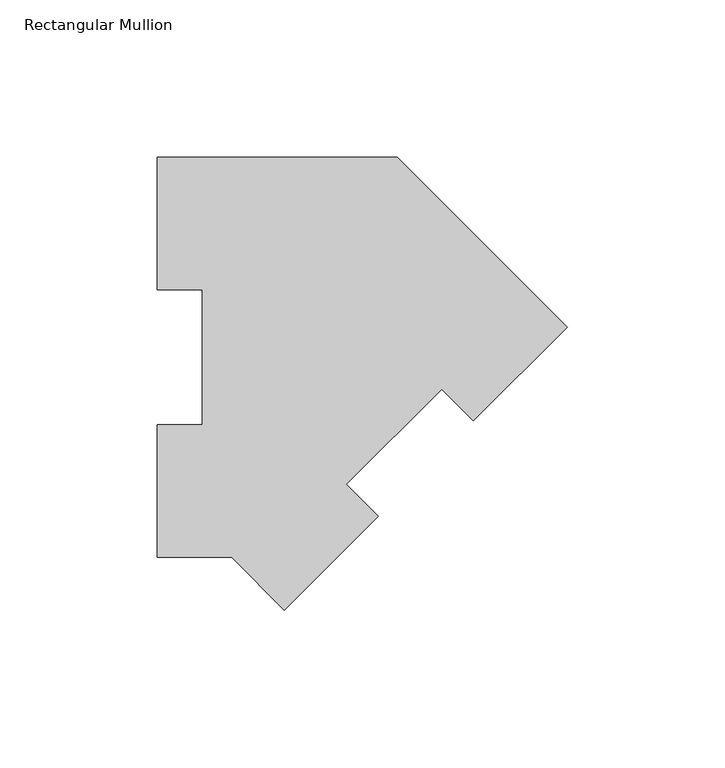
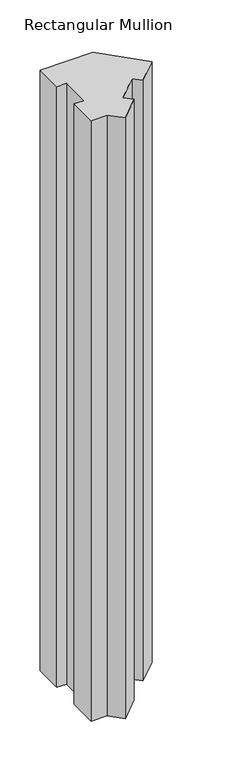
"""IFC4 building model written with IfcOpenShell, lengths in millimetres: member geometry, Rectangular Mullion."""

from ifc_helpers import new_model, si_unit, frame, origin, place, context, project, spatial, polyline, outline, extrude, source, transform, mapped, element, save


def rectangular_mullion_07dd001b(model_context):
    return source(origin(), model_context, "Body", "SweptSolid", [
        extrude(outline(polyline([(-130.0815367, 127.00635), (-53.8815367, 127.00635), (0.0, 73.1248133), (-29.7515885, 43.3732247), (-39.8543767, 53.4760129), (-70.1537608, 23.1766287), (-60.0509727, 13.0738406), (-89.8025612, -16.6777479), (-106.4866591, 0.00635), (-130.0815367, 0.00635), (-130.0815367, 42.08145), (-115.7940367, 42.08145), (-115.7940367, 84.93125), (-130.0815367, 84.93125), (-130.0815367, 127.00635)])), frame((0.0, 0.0, -914.4), z_axis=(0.0, 0.0, 1.0), x_axis=(1.0, 0.0, 0.0)), (0.0, 0.0, 1.0), 914.4),
    ])


if __name__ == "__main__":
    model = new_model("IFC4")
    model_context = context("Model", 3, world=origin())
    ifc_project = project(units=[si_unit("LENGTHUNIT", "METRE", prefix="MILLI")], contexts=[model_context])
    site = spatial("IfcSite", under=ifc_project)
    building = spatial("IfcBuilding", under=site)
    placement = place(None, origin())
    rectangular_mullion_shape = rectangular_mullion_07dd001b(model_context)
    element("IfcMember", 1, ObjectType="Rectangular Mullion", at=placement, inside=building, context=model_context, shape_type="MappedRepresentation", body=[
        mapped(rectangular_mullion_shape, transform((0.0, 0.0, 0.0), x_axis=(1.0, 0.0, 0.0), y_axis=(0.0, 1.0, 0.0), z_axis=(0.0, 0.0, 1.0))),
    ])
    save(model, "model.ifc")
